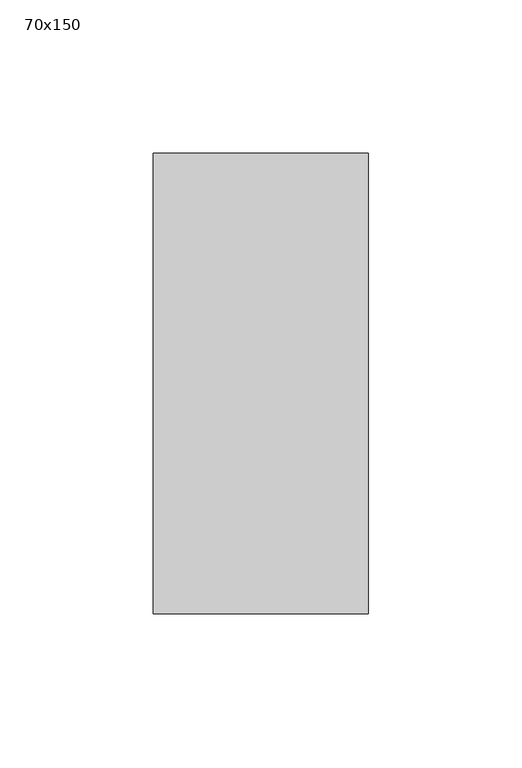
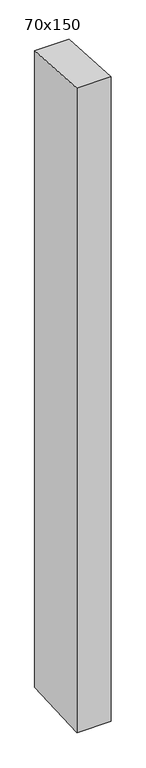
"""IFC4 building model written with IfcOpenShell, lengths in millimetres: member geometry, 70x150."""

from ifc_helpers import new_model, si_unit, frame, origin, place, context, project, spatial, polyline, outline, extrude, source, transform, mapped, element, save


def member_70x150_6c732e48(model_context):
    return source(origin(), model_context, "Body", "SweptSolid", [
        extrude(outline(polyline([(-75.0, 4.9473546), (75.0, -4.9473546), (75.0, -1384.6350535), (-75.0, -1392.1148042), (-75.0, 4.9473546)])), frame((-70.0, 0.0, 0.0), z_axis=(1.0, 0.0, 0.0), x_axis=(0.0, 1.0, 0.0)), (0.0, 0.0, 1.0), 70.0),
    ])


if __name__ == "__main__":
    model = new_model("IFC4")
    model_context = context("Model", 3, world=origin())
    ifc_project = project(units=[si_unit("LENGTHUNIT", "METRE", prefix="MILLI")], contexts=[model_context])
    site = spatial("IfcSite", under=ifc_project)
    building = spatial("IfcBuilding", under=site)
    placement = place(None, origin())
    member_70x150_shape = member_70x150_6c732e48(model_context)
    element("IfcMember", 1, ObjectType="70x150", at=placement, inside=building, context=model_context, shape_type="MappedRepresentation", body=[
        mapped(member_70x150_shape, transform((0.0, 0.0, 0.0), x_axis=(1.0, 0.0, 0.0), y_axis=(0.0, 1.0, 0.0), z_axis=(0.0, 0.0, 1.0))),
    ])
    save(model, "model.ifc")
